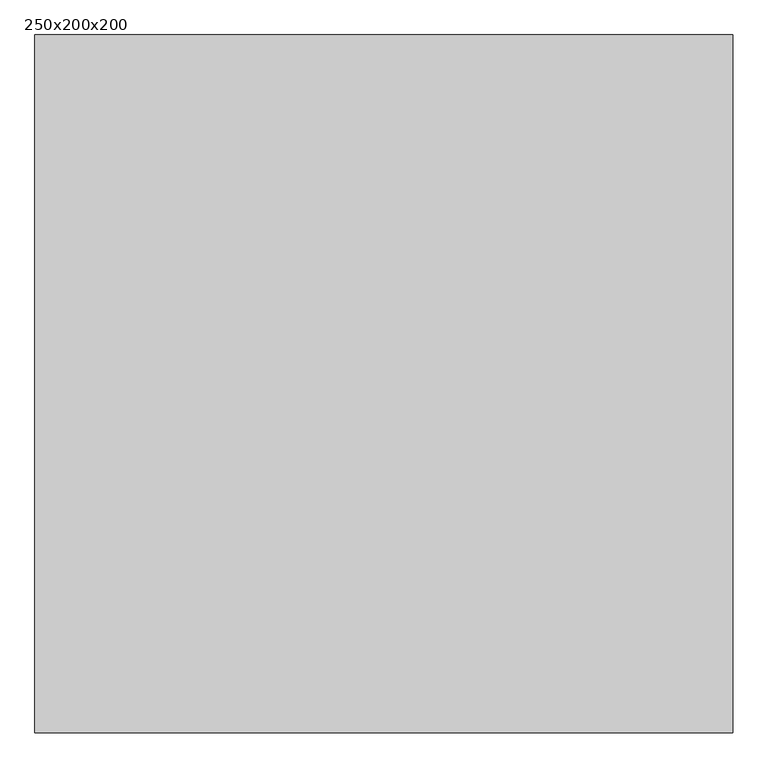
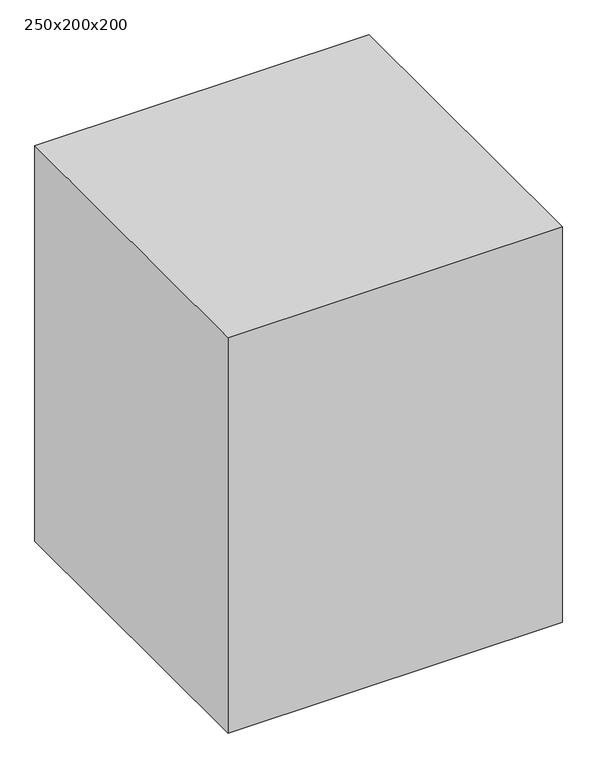
"""IFC4 building model written with IfcOpenShell, lengths in millimetres: proxy geometry, 250x200x200."""

from ifc_helpers import new_model, si_unit, origin, origin_with_axes, place, context, project, spatial, polyline, outline, extrude, source, transform, mapped, element, save


def proxy_250x200x200_a22c0de3(model_context):
    return source(origin(), model_context, "Body", "SweptSolid", [
        extrude(outline(polyline([(2000.0, 2000.0), (2000.0, 0.0), (0.0, 0.0), (0.0, 2000.0), (2000.0, 2000.0)])), origin_with_axes(), (0.0, 0.0, 1.0), 2500.0),
    ])


if __name__ == "__main__":
    model = new_model("IFC4")
    model_context = context("Model", 3, world=origin())
    ifc_project = project(units=[si_unit("LENGTHUNIT", "METRE", prefix="MILLI")], contexts=[model_context])
    site = spatial("IfcSite", under=ifc_project)
    building = spatial("IfcBuilding", under=site)
    placement = place(None, origin())
    proxy_250x200x200_shape = proxy_250x200x200_a22c0de3(model_context)
    element("IfcBuildingElementProxy", 1, Name="250x200x200", ObjectType="250x200x200", at=placement, inside=building, context=model_context, shape_type="MappedRepresentation", body=[
        mapped(proxy_250x200x200_shape, transform((0.0, 0.0, 0.0), x_axis=(1.0, 0.0, 0.0), y_axis=(0.0, 1.0, 0.0), z_axis=(0.0, 0.0, 1.0))),
    ])
    save(model, "model.ifc")
